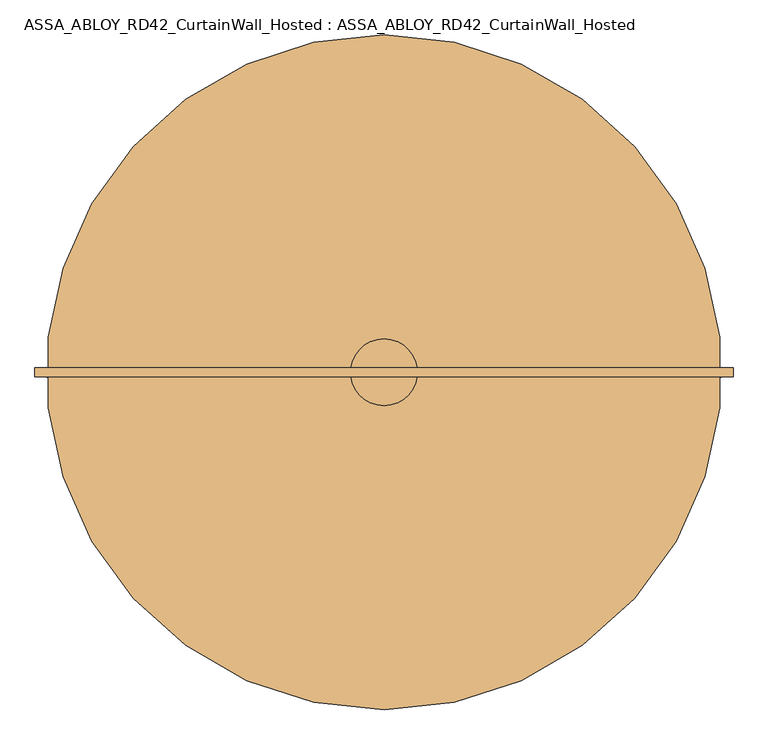
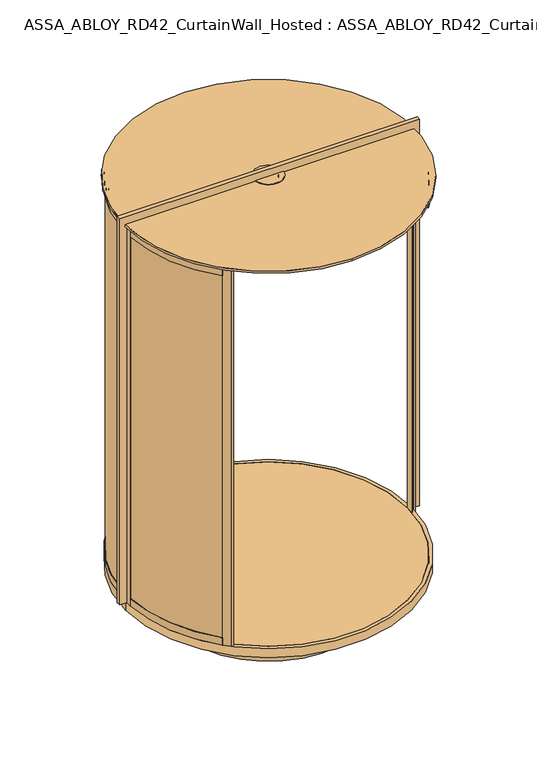
"""IFC4 building model written with IfcOpenShell, lengths in millimetres: door geometry, ASSA_ABLOY_RD42_CurtainWall_Hosted : ASSA_ABLOY_RD42_CurtainWall_Hosted."""

from ifc_helpers import new_model, si_unit, point, frame, frame_2d, origin, origin_with_axes, origin_2d, place, context, project, spatial, polyline, circle_curve, trimmed, segment, composite_curve, outline, extrude, source, transform, mapped, element, save
from ifc_brep_helpers import plane_surface, cylinder_surface, revolved_surface, advanced_brep


def assa_abloy_rd42_curtainwall_hosted_assa_abloy_rd42_70236055(model_context):
    return source(origin(), model_context, "Body", "SolidModel", [
        advanced_brep(
        [(969.6270403, -51.6178536, 2773.0), (995.5902772, -53.0, 2773.0), (995.5902772, -53.0, 2723.0), (992.5945191, -52.8405216, 2723.0), (992.5945191, -52.8405216, 2743.0), (972.6227984, -51.777332, 2743.0), (972.6227984, -51.777332, 2723.0), (969.6270403, -51.6178536, 2723.0), (700.2358565, -672.6891892, 2773.0), (700.2358565, -672.6891892, 2723.0), (702.3993041, -674.7675286, 2723.0), (702.3993041, -674.7675286, 2743.0), (716.8222877, -688.6231246, 2743.0), (716.8222877, -688.6231246, 2723.0), (718.9857353, -690.7014641, 2723.0), (718.9857353, -690.7014641, 2773.0)],
        [
            (0, 1),
            (1, 2),
            (2, 3),
            (3, 4),
            (4, 5),
            (5, 6),
            (6, 7),
            (7, 0),
            (8, 9),
            (9, 10),
            (10, 11),
            (11, 12),
            (12, 13),
            (13, 14),
            (14, 15),
            (15, 8),
            (8, 0, circle_curve(frame((0.0, 0.0, 2773.0), z_axis=(0.0, 0.0, 1.0), x_axis=(0.9985860352782786, -0.05315947843243415, 0.0)), 971.0)),
            (7, 9, circle_curve(frame((0.0, 0.0, 2723.0), z_axis=(0.0, 0.0, -1.0), x_axis=(0.9985860352782786, -0.05315947843243415, 0.0)), 971.0)),
            (6, 10, circle_curve(frame((0.0, 0.0, 2723.0), z_axis=(0.0, 0.0, -1.0), x_axis=(0.9985860352782786, -0.05315947843243415, 0.0)), 974.0)),
            (14, 2, circle_curve(frame((0.0, 0.0, 2723.0), z_axis=(0.0, 0.0, 1.0), x_axis=(0.9985860352782786, -0.05315947843243415, 0.0)), 997.0)),
            (1, 15, circle_curve(frame((0.0, 0.0, 2773.0), z_axis=(0.0, 0.0, -1.0), x_axis=(0.9985860352782786, -0.05315947843243415, 0.0)), 997.0)),
            (5, 11, circle_curve(frame((0.0, 0.0, 2743.0), z_axis=(0.0, 0.0, -1.0), x_axis=(0.9985860352782786, -0.05315947843243415, 0.0)), 974.0)),
            (4, 12, circle_curve(frame((0.0, 0.0, 2743.0), z_axis=(0.0, 0.0, -1.0), x_axis=(0.9985860352782786, -0.05315947843243415, 0.0)), 994.0)),
            (3, 13, circle_curve(frame((0.0, 0.0, 2723.0), z_axis=(0.0, 0.0, -1.0), x_axis=(0.9985860352782786, -0.05315947843243415, 0.0)), 994.0)),
        ],
        [
            plane_surface(frame((995.5902772, -53.0, 2773.0), z_axis=(0.053159478432434126, 0.9985860352782787, 0.0), x_axis=(0.0, 0.0, 1.0))),
            plane_surface(frame((718.9857353, -690.7014641, 2773.0), z_axis=(-0.6927798034572433, -0.7211491828475877, 0.0), x_axis=(0.0, 0.0, 1.0))),
            revolved_surface(polyline([(969.6270402552085, -51.617853557893554, 2723.0), (969.6270402552085, -51.617853557893554, 2773.0)]), (0.0, 0.0, 2773.0), (0.0, 0.0, -1.0)),
            plane_surface(frame((0.0, 0.0, 2723.0), z_axis=(0.0, 0.0, -1.0), x_axis=(0.9985860352782787, -0.053159478432434154, 0.0))),
            cylinder_surface(frame((0.0, 0.0, 2773.0), z_axis=(0.0, 0.0, -1.0), x_axis=(0.9985860352782786, -0.05315947843243415, 0.0)), 997.0),
            plane_surface(frame((0.0, 0.0, 2773.0), z_axis=(0.0, 0.0, 1.0), x_axis=(0.9985860352782787, -0.053159478432434154, 0.0))),
            cylinder_surface(frame((0.0, 0.0, 2773.0), z_axis=(0.0, 0.0, -1.0), x_axis=(0.9985860352782786, -0.05315947843243415, 0.0)), 974.0),
            plane_surface(frame((0.0, 0.0, 2743.0), z_axis=(0.0, 0.0, -1.0), x_axis=(0.9985860352782787, -0.053159478432434154, 0.0))),
            revolved_surface(polyline([(992.5945190666089, -52.840521561839545, 2723.0), (992.5945190666089, -52.840521561839545, 2743.0)]), (0.0, 0.0, 2773.0), (0.0, 0.0, -1.0)),
        ],
        [
            (0, [[1, 2, 3, 4, 5, 6, 7, 8]]),
            (1, [[9, 10, 11, 12, 13, 14, 15, 16]]),
            (2, [[17, -8, 18, -9]]),
            (3, [[-18, -7, 19, -10]]),
            (4, [[20, -2, 21, -15]]),
            (5, [[-21, -1, -17, -16]]),
            (6, [[-19, -6, 22, -11]]),
            (7, [[-22, -5, 23, -12]]),
            (8, [[-23, -4, 24, -13]]),
            (3, [[-24, -3, -20, -14]]),
        ],
    ),
        extrude(outline(polyline([(997.0, 0.0), (997.0, -53.0), (994.0, -53.0), (994.0, -33.0), (974.0, -33.0), (974.0, -53.0), (971.0, -53.0), (971.0, 0.0), (997.0, 0.0)])), origin_with_axes(), (0.0, 0.0, 1.0), 2773.0),
        extrude(outline(composite_curve([segment(trimmed(circle_curve(origin_2d(), 979.0), [point((-692.2575388, 692.2575388))], [point((-978.4493032, 32.8323171))], True, "CARTESIAN"), True, "CONTINUOUS"), segment(polyline([(-978.4493032, 32.8323171), (-988.4436781, 33.1676829)]), True, "CONTINUOUS"), segment(trimmed(circle_curve(origin_2d(), 989.0), [point((-988.4436781, 33.1676829))], [point((-699.3286066, 699.3286066))], False, "CARTESIAN"), True, "CONTINUOUS"), segment(polyline([(-699.3286066, 699.3286066), (-692.2575388, 692.2575388)]), True, "CONTINUOUS")], self_intersect=False)), frame((0.0, 0.0, 33.0), z_axis=(0.0, 0.0, 1.0), x_axis=(1.0, 0.0, 0.0)), (0.0, 0.0, 1.0), 2715.0),
        advanced_brep(
        [(-700.2358565, 672.6891892, 0.0), (-718.9857353, 690.701464, 0.0), (-718.9857353, 690.701464, 53.0), (-716.8222877, 688.6231246, 53.0), (-716.8222877, 688.6231246, 33.0), (-702.3993041, 674.7675286, 33.0), (-702.3993041, 674.7675286, 53.0), (-700.2358565, 672.6891892, 53.0), (-969.6270403, 51.6178536, 0.0), (-969.6270403, 51.6178536, 53.0), (-972.6227984, 51.777332, 53.0), (-972.6227984, 51.777332, 33.0), (-992.5945191, 52.8405216, 33.0), (-992.5945191, 52.8405216, 53.0), (-995.5902772, 53.0, 53.0), (-995.5902772, 53.0, 0.0)],
        [
            (0, 1),
            (1, 2),
            (2, 3),
            (3, 4),
            (4, 5),
            (5, 6),
            (6, 7),
            (7, 0),
            (8, 9),
            (9, 10),
            (10, 11),
            (11, 12),
            (12, 13),
            (13, 14),
            (14, 15),
            (15, 8),
            (8, 0, circle_curve(frame((0.0, 0.0, 0.0), z_axis=(0.0, 0.0, -1.0), x_axis=(-0.7211491828453972, 0.6927798034595233, 0.0)), 971.0)),
            (7, 9, circle_curve(frame((0.0, 0.0, 53.0), z_axis=(0.0, 0.0, 1.0), x_axis=(-0.7211491828453972, 0.6927798034595233, 0.0)), 971.0)),
            (6, 10, circle_curve(frame((0.0, 0.0, 53.0), z_axis=(0.0, 0.0, 1.0), x_axis=(-0.7211491828453972, 0.6927798034595233, 0.0)), 974.0)),
            (5, 11, circle_curve(frame((0.0, 0.0, 33.0), z_axis=(0.0, 0.0, 1.0), x_axis=(-0.7211491828453972, 0.6927798034595233, 0.0)), 974.0)),
            (4, 12, circle_curve(frame((0.0, 0.0, 33.0), z_axis=(0.0, 0.0, 1.0), x_axis=(-0.7211491828453972, 0.6927798034595233, 0.0)), 994.0)),
            (3, 13, circle_curve(frame((0.0, 0.0, 53.0), z_axis=(0.0, 0.0, 1.0), x_axis=(-0.7211491828453972, 0.6927798034595233, 0.0)), 994.0)),
            (2, 14, circle_curve(frame((0.0, 0.0, 53.0), z_axis=(0.0, 0.0, 1.0), x_axis=(-0.7211491828453972, 0.6927798034595233, 0.0)), 997.0)),
            (1, 15, circle_curve(frame((0.0, 0.0, 0.0), z_axis=(0.0, 0.0, 1.0), x_axis=(-0.7211491828453972, 0.6927798034595233, 0.0)), 997.0)),
        ],
        [
            plane_surface(frame((-718.9857353, 690.701464, 0.0), z_axis=(0.6927798034595234, 0.7211491828453973, 0.0), x_axis=(0.0, 0.0, 1.0))),
            plane_surface(frame((-995.5902772, 53.0, 0.0), z_axis=(-0.053159478434998075, -0.9985860352781423, 0.0), x_axis=(0.0, 0.0, 1.0))),
            revolved_surface(polyline([(-700.2358565428807, 672.6891891591971, 53.0), (-700.2358565428807, 672.6891891591971, 0.0)]), (0.0, 0.0, 0.0), (0.0, 0.0, 1.0)),
            plane_surface(frame((0.0, 0.0, 53.0), z_axis=(0.0, 0.0, 1.0), x_axis=(-0.7211491828453973, 0.6927798034595234, 0.0))),
            cylinder_surface(frame((0.0, 0.0, 0.0), z_axis=(0.0, 0.0, 1.0), x_axis=(-0.7211491828453972, 0.6927798034595233, 0.0)), 974.0),
            plane_surface(frame((0.0, 0.0, 33.0), z_axis=(0.0, 0.0, 1.0), x_axis=(-0.7211491828453973, 0.6927798034595234, 0.0))),
            revolved_surface(polyline([(-716.8222877483248, 688.6231246387662, 53.0), (-716.8222877483248, 688.6231246387662, 33.0)]), (0.0, 0.0, 0.0), (0.0, 0.0, 1.0)),
            cylinder_surface(frame((0.0, 0.0, 0.0), z_axis=(0.0, 0.0, 1.0), x_axis=(-0.7211491828453972, 0.6927798034595233, 0.0)), 997.0),
            plane_surface(frame((0.0, 0.0, 0.0), z_axis=(0.0, 0.0, -1.0), x_axis=(-0.7211491828453973, 0.6927798034595234, 0.0))),
        ],
        [
            (0, [[1, 2, 3, 4, 5, 6, 7, 8]]),
            (1, [[9, 10, 11, 12, 13, 14, 15, 16]]),
            (2, [[17, -8, 18, -9]]),
            (3, [[-18, -7, 19, -10]]),
            (4, [[-19, -6, 20, -11]]),
            (5, [[-20, -5, 21, -12]]),
            (6, [[-21, -4, 22, -13]]),
            (3, [[-22, -3, 23, -14]]),
            (7, [[-23, -2, 24, -15]]),
            (8, [[-24, -1, -17, -16]]),
        ],
    ),
        advanced_brep(
        [(-969.6270403, 51.6178536, 2773.0), (-995.5902772, 53.0, 2773.0), (-995.5902772, 53.0, 2723.0), (-992.5945191, 52.8405216, 2723.0), (-992.5945191, 52.8405216, 2743.0), (-972.6227984, 51.777332, 2743.0), (-972.6227984, 51.777332, 2723.0), (-969.6270403, 51.6178536, 2723.0), (-700.2358565, 672.6891892, 2773.0), (-700.2358565, 672.6891892, 2723.0), (-702.3993041, 674.7675286, 2723.0), (-702.3993041, 674.7675286, 2743.0), (-716.8222877, 688.6231246, 2743.0), (-716.8222877, 688.6231246, 2723.0), (-718.9857353, 690.701464, 2723.0), (-718.9857353, 690.701464, 2773.0)],
        [
            (0, 1),
            (1, 2),
            (2, 3),
            (3, 4),
            (4, 5),
            (5, 6),
            (6, 7),
            (7, 0),
            (8, 9),
            (9, 10),
            (10, 11),
            (11, 12),
            (12, 13),
            (13, 14),
            (14, 15),
            (15, 8),
            (8, 0, circle_curve(frame((0.0, 0.0, 2773.0), z_axis=(0.0, 0.0, 1.0), x_axis=(-0.9985860352779656, 0.05315947843831304, 0.0)), 971.0)),
            (7, 9, circle_curve(frame((0.0, 0.0, 2723.0), z_axis=(0.0, 0.0, -1.0), x_axis=(-0.9985860352779656, 0.05315947843831304, 0.0)), 971.0)),
            (6, 10, circle_curve(frame((0.0, 0.0, 2723.0), z_axis=(0.0, 0.0, -1.0), x_axis=(-0.9985860352779656, 0.05315947843831304, 0.0)), 974.0)),
            (14, 2, circle_curve(frame((0.0, 0.0, 2723.0), z_axis=(0.0, 0.0, 1.0), x_axis=(-0.9985860352779656, 0.05315947843831304, 0.0)), 997.0)),
            (1, 15, circle_curve(frame((0.0, 0.0, 2773.0), z_axis=(0.0, 0.0, -1.0), x_axis=(-0.9985860352779656, 0.05315947843831304, 0.0)), 997.0)),
            (5, 11, circle_curve(frame((0.0, 0.0, 2743.0), z_axis=(0.0, 0.0, -1.0), x_axis=(-0.9985860352779656, 0.05315947843831304, 0.0)), 974.0)),
            (4, 12, circle_curve(frame((0.0, 0.0, 2743.0), z_axis=(0.0, 0.0, -1.0), x_axis=(-0.9985860352779656, 0.05315947843831304, 0.0)), 994.0)),
            (3, 13, circle_curve(frame((0.0, 0.0, 2723.0), z_axis=(0.0, 0.0, -1.0), x_axis=(-0.9985860352779656, 0.05315947843831304, 0.0)), 994.0)),
        ],
        [
            plane_surface(frame((-995.5902772, 53.0, 2773.0), z_axis=(-0.05315947843831305, -0.9985860352779657, 0.0), x_axis=(0.0, 0.0, 1.0))),
            plane_surface(frame((-718.9857353, 690.701464, 2773.0), z_axis=(0.6927798034621091, 0.7211491828429132, 0.0), x_axis=(0.0, 0.0, 1.0))),
            revolved_surface(polyline([(-969.6270402549046, 51.61785356360196, 2723.0), (-969.6270402549046, 51.61785356360196, 2773.0)]), (0.0, 0.0, 2773.0), (0.0, 0.0, -1.0)),
            plane_surface(frame((0.0, 0.0, 2723.0), z_axis=(0.0, 0.0, -1.0), x_axis=(-0.9985860352779657, 0.05315947843831305, 0.0))),
            cylinder_surface(frame((0.0, 0.0, 2773.0), z_axis=(0.0, 0.0, -1.0), x_axis=(-0.9985860352779656, 0.05315947843831304, 0.0)), 997.0),
            plane_surface(frame((0.0, 0.0, 2773.0), z_axis=(0.0, 0.0, 1.0), x_axis=(-0.9985860352779657, 0.05315947843831305, 0.0))),
            cylinder_surface(frame((0.0, 0.0, 2773.0), z_axis=(0.0, 0.0, -1.0), x_axis=(-0.9985860352779656, 0.05315947843831304, 0.0)), 974.0),
            plane_surface(frame((0.0, 0.0, 2743.0), z_axis=(0.0, 0.0, -1.0), x_axis=(-0.9985860352779657, 0.05315947843831305, 0.0))),
            revolved_surface(polyline([(-992.5945190662978, 52.84052156768316, 2723.0), (-992.5945190662978, 52.84052156768316, 2743.0)]), (0.0, 0.0, 2773.0), (0.0, 0.0, -1.0)),
        ],
        [
            (0, [[1, 2, 3, 4, 5, 6, 7, 8]]),
            (1, [[9, 10, 11, 12, 13, 14, 15, 16]]),
            (2, [[17, -8, 18, -9]]),
            (3, [[-18, -7, 19, -10]]),
            (4, [[20, -2, 21, -15]]),
            (5, [[-21, -1, -17, -16]]),
            (6, [[-19, -6, 22, -11]]),
            (7, [[-22, -5, 23, -12]]),
            (8, [[-23, -4, 24, -13]]),
            (3, [[-24, -3, -20, -14]]),
        ],
    ),
        extrude(outline(composite_curve([segment(polyline([(-702.863883, 702.863883), (-717.0060186, 688.7217474), (-719.1270815, 690.8428103), (-674.5793543, 735.3905375), (-675.2864632, 736.0976464), (-654.0719672, 757.3121425)]), True, "CONTINUOUS"), segment(trimmed(circle_curve(frame_2d((-644.1727276, 747.4129028)), 13.9996389), [point((-654.0719672, 757.3121425))], [point((-634.273488, 737.5136632))], False, "CARTESIAN"), True, "CONTINUOUS"), segment(polyline([(-634.273488, 737.5136632), (-655.487984, 716.2991672), (-656.1950929, 717.0062761), (-700.7428202, 672.4585489), (-702.863883, 674.5796118), (-688.7217474, 688.7217474), (-702.863883, 702.863883)]), True, "CONTINUOUS")], self_intersect=False)), origin_with_axes(), (0.0, 0.0, 1.0), 2773.0),
        extrude(outline(polyline([(-997.0, 0.0), (-997.0, 53.0), (-994.0, 53.0), (-994.0, 33.0), (-974.0, 33.0), (-974.0, 53.0), (-971.0, 53.0), (-971.0, 0.0), (-997.0, 0.0)])), origin_with_axes(), (0.0, 0.0, 1.0), 2773.0),
        extrude(outline(composite_curve([segment(trimmed(circle_curve(origin_2d(), 989.0), [point((-699.3286066, -699.3286066))], [point((-988.4436781, -33.1676829))], False, "CARTESIAN"), True, "CONTINUOUS"), segment(polyline([(-988.4436781, -33.1676829), (-978.4493032, -32.8323171)]), True, "CONTINUOUS"), segment(trimmed(circle_curve(origin_2d(), 979.0), [point((-978.4493032, -32.8323171))], [point((-692.2575388, -692.2575388))], True, "CARTESIAN"), True, "CONTINUOUS"), segment(polyline([(-692.2575388, -692.2575388), (-699.3286066, -699.3286066)]), True, "CONTINUOUS")], self_intersect=False)), frame((0.0, 0.0, 33.0), z_axis=(0.0, 0.0, 1.0), x_axis=(1.0, 0.0, 0.0)), (0.0, 0.0, 1.0), 2715.0),
        advanced_brep(
        [(-700.2358565, -672.6891892, 0.0), (-700.2358565, -672.6891892, 53.0), (-702.3993041, -674.7675286, 53.0), (-702.3993041, -674.7675286, 33.0), (-716.8222877, -688.6231246, 33.0), (-716.8222877, -688.6231246, 53.0), (-718.9857353, -690.701464, 53.0), (-718.9857353, -690.701464, 0.0), (-969.6270403, -51.6178536, 0.0), (-995.5902772, -53.0, 0.0), (-995.5902772, -53.0, 53.0), (-992.5945191, -52.8405216, 53.0), (-992.5945191, -52.8405216, 33.0), (-972.6227984, -51.777332, 33.0), (-972.6227984, -51.777332, 53.0), (-969.6270403, -51.6178536, 53.0)],
        [
            (0, 1),
            (1, 2),
            (2, 3),
            (3, 4),
            (4, 5),
            (5, 6),
            (6, 7),
            (7, 0),
            (8, 9),
            (9, 10),
            (10, 11),
            (11, 12),
            (12, 13),
            (13, 14),
            (14, 15),
            (15, 8),
            (15, 1, circle_curve(frame((0.0, 0.0, 53.0), z_axis=(0.0, 0.0, 1.0), x_axis=(-0.72114918284517, -0.6927798034597599, 0.0)), 971.0)),
            (0, 8, circle_curve(frame((0.0, 0.0, 0.0), z_axis=(0.0, 0.0, -1.0), x_axis=(-0.72114918284517, -0.6927798034597599, 0.0)), 971.0)),
            (14, 2, circle_curve(frame((0.0, 0.0, 53.0), z_axis=(0.0, 0.0, 1.0), x_axis=(-0.72114918284517, -0.6927798034597599, 0.0)), 974.0)),
            (13, 3, circle_curve(frame((0.0, 0.0, 33.0), z_axis=(0.0, 0.0, 1.0), x_axis=(-0.72114918284517, -0.6927798034597599, 0.0)), 974.0)),
            (12, 4, circle_curve(frame((0.0, 0.0, 33.0), z_axis=(0.0, 0.0, 1.0), x_axis=(-0.72114918284517, -0.6927798034597599, 0.0)), 994.0)),
            (11, 5, circle_curve(frame((0.0, 0.0, 53.0), z_axis=(0.0, 0.0, 1.0), x_axis=(-0.72114918284517, -0.6927798034597599, 0.0)), 994.0)),
            (10, 6, circle_curve(frame((0.0, 0.0, 53.0), z_axis=(0.0, 0.0, 1.0), x_axis=(-0.72114918284517, -0.6927798034597599, 0.0)), 997.0)),
            (9, 7, circle_curve(frame((0.0, 0.0, 0.0), z_axis=(0.0, 0.0, 1.0), x_axis=(-0.72114918284517, -0.6927798034597599, 0.0)), 997.0)),
        ],
        [
            plane_surface(frame((-718.9857353, -690.701464, 0.0), z_axis=(0.6927798034597599, -0.7211491828451702, 0.0), x_axis=(0.0, 0.0, 1.0))),
            plane_surface(frame((-995.5902772, -53.0, 0.0), z_axis=(-0.05315947843611757, 0.9985860352780827, 0.0), x_axis=(0.0, 0.0, 1.0))),
            revolved_surface(polyline([(-700.2358565426601, -672.6891891594269, 0.0), (-700.2358565426601, -672.6891891594269, 53.0)]), (0.0, 0.0, 0.0), (0.0, 0.0, -1.0)),
            plane_surface(frame((0.0, 0.0, 53.0), z_axis=(0.0, 0.0, 1.0), x_axis=(-0.72114918284517, -0.6927798034597599, 0.0))),
            cylinder_surface(frame((0.0, 0.0, 0.0), z_axis=(0.0, 0.0, -1.0), x_axis=(-0.72114918284517, -0.6927798034597599, 0.0)), 974.0),
            plane_surface(frame((0.0, 0.0, 33.0), z_axis=(0.0, 0.0, 1.0), x_axis=(-0.72114918284517, -0.6927798034597599, 0.0))),
            revolved_surface(polyline([(-716.822287748099, -688.6231246390013, 33.0), (-716.822287748099, -688.6231246390013, 53.0)]), (0.0, 0.0, 0.0), (0.0, 0.0, -1.0)),
            cylinder_surface(frame((0.0, 0.0, 0.0), z_axis=(0.0, 0.0, -1.0), x_axis=(-0.72114918284517, -0.6927798034597599, 0.0)), 997.0),
            plane_surface(frame((0.0, 0.0, 0.0), z_axis=(0.0, 0.0, -1.0), x_axis=(-0.72114918284517, -0.6927798034597599, 0.0))),
        ],
        [
            (0, [[1, 2, 3, 4, 5, 6, 7, 8]]),
            (1, [[9, 10, 11, 12, 13, 14, 15, 16]]),
            (2, [[17, -1, 18, -16]]),
            (3, [[19, -2, -17, -15]]),
            (4, [[20, -3, -19, -14]]),
            (5, [[21, -4, -20, -13]]),
            (6, [[22, -5, -21, -12]]),
            (3, [[23, -6, -22, -11]]),
            (7, [[24, -7, -23, -10]]),
            (8, [[-18, -8, -24, -9]]),
        ],
    ),
        advanced_brep(
        [(-969.6270403, -51.6178536, 2773.0), (-969.6270403, -51.6178536, 2723.0), (-972.6227984, -51.777332, 2723.0), (-972.6227984, -51.777332, 2743.0), (-992.5945191, -52.8405216, 2743.0), (-992.5945191, -52.8405216, 2723.0), (-995.5902772, -53.0, 2723.0), (-995.5902772, -53.0, 2773.0), (-700.2358565, -672.6891892, 2773.0), (-718.9857353, -690.7014641, 2773.0), (-718.9857353, -690.7014641, 2723.0), (-716.8222878, -688.6231246, 2723.0), (-716.8222878, -688.6231246, 2743.0), (-702.3993041, -674.7675286, 2743.0), (-702.3993041, -674.7675286, 2723.0), (-700.2358565, -672.6891892, 2723.0)],
        [
            (0, 1),
            (1, 2),
            (2, 3),
            (3, 4),
            (4, 5),
            (5, 6),
            (6, 7),
            (7, 0),
            (8, 9),
            (9, 10),
            (10, 11),
            (11, 12),
            (12, 13),
            (13, 14),
            (14, 15),
            (15, 8),
            (15, 1, circle_curve(frame((0.0, 0.0, 2723.0), z_axis=(0.0, 0.0, -1.0), x_axis=(-0.998586035278223, -0.053159478433480345, 0.0)), 971.0)),
            (0, 8, circle_curve(frame((0.0, 0.0, 2773.0), z_axis=(0.0, 0.0, 1.0), x_axis=(-0.998586035278223, -0.053159478433480345, 0.0)), 971.0)),
            (14, 2, circle_curve(frame((0.0, 0.0, 2723.0), z_axis=(0.0, 0.0, -1.0), x_axis=(-0.998586035278223, -0.053159478433480345, 0.0)), 974.0)),
            (9, 7, circle_curve(frame((0.0, 0.0, 2773.0), z_axis=(0.0, 0.0, -1.0), x_axis=(-0.998586035278223, -0.053159478433480345, 0.0)), 997.0)),
            (6, 10, circle_curve(frame((0.0, 0.0, 2723.0), z_axis=(0.0, 0.0, 1.0), x_axis=(-0.998586035278223, -0.053159478433480345, 0.0)), 997.0)),
            (13, 3, circle_curve(frame((0.0, 0.0, 2743.0), z_axis=(0.0, 0.0, -1.0), x_axis=(-0.998586035278223, -0.053159478433480345, 0.0)), 974.0)),
            (12, 4, circle_curve(frame((0.0, 0.0, 2743.0), z_axis=(0.0, 0.0, -1.0), x_axis=(-0.998586035278223, -0.053159478433480345, 0.0)), 994.0)),
            (11, 5, circle_curve(frame((0.0, 0.0, 2723.0), z_axis=(0.0, 0.0, -1.0), x_axis=(-0.998586035278223, -0.053159478433480345, 0.0)), 994.0)),
        ],
        [
            plane_surface(frame((-995.5902772, -53.0, 2773.0), z_axis=(-0.053159478433480345, 0.998586035278223, 0.0), x_axis=(0.0, 0.0, 1.0))),
            plane_surface(frame((-718.9857353, -690.7014641, 2773.0), z_axis=(0.6927798034594096, -0.7211491828455066, 0.0), x_axis=(0.0, 0.0, 1.0))),
            revolved_surface(polyline([(-969.6270402551545, -51.61785355890942, 2773.0), (-969.6270402551545, -51.61785355890942, 2723.0)]), (0.0, 0.0, 2773.0), (0.0, 0.0, 1.0)),
            plane_surface(frame((0.0, 0.0, 2723.0), z_axis=(0.0, 0.0, -1.0), x_axis=(-0.998586035278223, -0.053159478433480345, 0.0))),
            cylinder_surface(frame((0.0, 0.0, 2773.0), z_axis=(0.0, 0.0, 1.0), x_axis=(-0.998586035278223, -0.053159478433480345, 0.0)), 997.0),
            plane_surface(frame((0.0, 0.0, 2773.0), z_axis=(0.0, 0.0, 1.0), x_axis=(-0.998586035278223, -0.053159478433480345, 0.0))),
            cylinder_surface(frame((0.0, 0.0, 2773.0), z_axis=(0.0, 0.0, 1.0), x_axis=(-0.998586035278223, -0.053159478433480345, 0.0)), 974.0),
            plane_surface(frame((0.0, 0.0, 2743.0), z_axis=(0.0, 0.0, -1.0), x_axis=(-0.998586035278223, -0.053159478433480345, 0.0))),
            revolved_surface(polyline([(-992.5945190665536, -52.84052156287946, 2743.0), (-992.5945190665536, -52.84052156287946, 2723.0)]), (0.0, 0.0, 2773.0), (0.0, 0.0, 1.0)),
        ],
        [
            (0, [[1, 2, 3, 4, 5, 6, 7, 8]]),
            (1, [[9, 10, 11, 12, 13, 14, 15, 16]]),
            (2, [[17, -1, 18, -16]]),
            (3, [[19, -2, -17, -15]]),
            (4, [[20, -7, 21, -10]]),
            (5, [[-18, -8, -20, -9]]),
            (6, [[22, -3, -19, -14]]),
            (7, [[23, -4, -22, -13]]),
            (8, [[24, -5, -23, -12]]),
            (3, [[-21, -6, -24, -11]]),
        ],
    ),
        extrude(outline(composite_curve([segment(polyline([(-702.863883, -702.863883), (-688.7217474, -688.7217474), (-702.863883, -674.5796118), (-700.7428202, -672.4585489), (-663.9730103, -709.2283587)]), True, "CONTINUOUS"), segment(trimmed(circle_curve(frame_2d((-673.1651408, -718.4204896)), 12.9996359), [point((-663.9730103, -709.2283587))], [point((-682.3572715, -727.6126203))], False, "CARTESIAN"), True, "CONTINUOUS"), segment(polyline([(-682.3572715, -727.6126203), (-719.1270815, -690.8428103), (-717.0060186, -688.7217474), (-702.863883, -702.863883)]), True, "CONTINUOUS")], self_intersect=False)), origin_with_axes(), (0.0, 0.0, 1.0), 2773.0),
        extrude(outline(polyline([(-997.0, 0.0), (-971.0, 0.0), (-971.0, -53.0), (-974.0, -53.0), (-974.0, -33.0), (-994.0, -33.0), (-994.0, -53.0), (-997.0, -53.0), (-997.0, 0.0)])), origin_with_axes(), (0.0, 0.0, 1.0), 2773.0),
        extrude(outline(composite_curve([segment(trimmed(circle_curve(origin_2d(), 971.0), [point((-971.0, 0.0))], [point((971.0, 0.0))], False, "CARTESIAN"), True, "CONTINUOUS"), segment(trimmed(circle_curve(origin_2d(), 971.0), [point((971.0, 0.0))], [point((-971.0, 0.0))], False, "CARTESIAN"), True, "CONTINUOUS")], self_intersect=False)), frame((0.0, 0.0, -22.0), z_axis=(0.0, 0.0, 1.0), x_axis=(1.0, 0.0, 0.0)), (0.0, 0.0, 1.0), 22.0),
        extrude(outline(polyline([(2794.0, 1012.0), (2778.0, 1012.0), (2778.0, 997.0), (0.0, 997.0), (0.0, 1047.0), (2850.0, 1047.0), (2850.0, -1047.0), (0.0, -1047.0), (0.0, -997.0), (2778.0, -997.0), (2778.0, -1012.0), (2794.0, -1012.0), (2794.0, 1012.0)])), frame((0.0, -14.0, 0.0), z_axis=(0.0, 1.0, 0.0), x_axis=(0.0, 0.0, 1.0)), (0.0, 0.0, 1.0), 28.0),
        advanced_brep(
        [(997.0, 0.0, -65.0), (-997.0, 0.0, -65.0), (-997.0, 0.0, 0.0), (997.0, 0.0, 0.0), (0.0, 0.0, -65.0), (971.0, 0.0, -23.0), (-971.0, 0.0, -23.0), (0.0, 0.0, -23.0), (971.0, 0.0, 0.0), (-971.0, 0.0, 0.0)],
        [
            (0, 1, circle_curve(frame((0.0, 0.0, -65.0), z_axis=(0.0, 0.0, 1.0), x_axis=(-1.0, 0.0, 0.0)), 997.0)),
            (1, 2),
            (2, 3, circle_curve(frame((0.0, 0.0, 0.0), z_axis=(0.0, 0.0, -1.0), x_axis=(-1.0, 0.0, 0.0)), 997.0)),
            (3, 0),
            (1, 0, circle_curve(frame((0.0, 0.0, -65.0), z_axis=(0.0, 0.0, 1.0), x_axis=(-1.0, 0.0, 0.0)), 997.0)),
            (3, 2, circle_curve(frame((0.0, 0.0, 0.0), z_axis=(0.0, 0.0, -1.0), x_axis=(-1.0, 0.0, 0.0)), 997.0)),
            (0, 4),
            (4, 1),
            (5, 6, circle_curve(frame((0.0, 0.0, -23.0), z_axis=(0.0, 0.0, 1.0), x_axis=(-1.0, 0.0, 0.0)), 971.0)),
            (6, 7),
            (7, 5),
            (6, 5, circle_curve(frame((0.0, 0.0, -23.0), z_axis=(0.0, 0.0, 1.0), x_axis=(-1.0, 0.0, 0.0)), 971.0)),
            (5, 8),
            (8, 9, circle_curve(frame((0.0, 0.0, 0.0), z_axis=(0.0, 0.0, 1.0), x_axis=(-1.0, 0.0, 0.0)), 971.0)),
            (9, 6),
            (9, 8, circle_curve(frame((0.0, 0.0, 0.0), z_axis=(0.0, 0.0, 1.0), x_axis=(-1.0, 0.0, 0.0)), 971.0)),
            (2, 9),
            (8, 3),
        ],
        [
            cylinder_surface(frame((0.0, 0.0, -20.0), z_axis=(0.0, 0.0, -1.0), x_axis=(-1.0, 0.0, 0.0)), 997.0),
            plane_surface(frame((0.0, 0.0, -65.0), z_axis=(0.0, 0.0, -1.0), x_axis=(-1.0, 0.0, 0.0))),
            plane_surface(frame((0.0, 0.0, -23.0), z_axis=(0.0, 0.0, 1.0), x_axis=(-1.0, 0.0, 0.0))),
            revolved_surface(polyline([(-971.0, 0.0, -23.0), (-971.0, 0.0, 0.0)]), (0.0, 0.0, -20.0), (0.0, 0.0, -1.0)),
            plane_surface(frame((0.0, 0.0, 0.0), z_axis=(0.0, 0.0, 1.0), x_axis=(-1.0, 0.0, 0.0))),
        ],
        [
            (0, [[1, 2, 3, 4]]),
            (0, [[-2, 5, -4, 6]]),
            (1, [[-1, 7, 8]]),
            (1, [[-5, -8, -7]]),
            (2, [[9, 10, 11]]),
            (2, [[-10, 12, -11]]),
            (3, [[-9, 13, 14, 15]]),
            (3, [[-12, -15, 16, -13]]),
            (4, [[-3, 17, -14, 18]]),
            (4, [[-6, -18, -16, -17]]),
        ],
    ),
        advanced_brep(
        [(0.0, 1012.0, 2794.0), (0.0, -1012.0, 2794.0), (-60.0, 0.0, 2794.0), (60.0, 0.0, 2794.0), (0.0, 1012.0, 2778.0), (0.0, -1012.0, 2778.0), (60.0, 0.0, 2778.0), (-60.0, 0.0, 2778.0)],
        [
            (0, 1, circle_curve(frame((0.0, 0.0, 2794.0), z_axis=(0.0, 0.0, 1.0), x_axis=(0.0, -1.0, 0.0)), 1012.0)),
            (1, 0, circle_curve(frame((0.0, 0.0, 2794.0), z_axis=(0.0, 0.0, 1.0), x_axis=(0.0, -1.0, 0.0)), 1012.0)),
            (2, 3, circle_curve(frame((0.0, 0.0, 2794.0), z_axis=(0.0, 0.0, -1.0), x_axis=(-1.0, 0.0, 0.0)), 60.0)),
            (3, 2, circle_curve(frame((0.0, 0.0, 2794.0), z_axis=(0.0, 0.0, -1.0), x_axis=(-1.0, 0.0, 0.0)), 60.0)),
            (4, 5, circle_curve(frame((0.0, 0.0, 2778.0), z_axis=(0.0, 0.0, -1.0), x_axis=(0.0, -1.0, 0.0)), 1012.0)),
            (5, 4, circle_curve(frame((0.0, 0.0, 2778.0), z_axis=(0.0, 0.0, -1.0), x_axis=(0.0, -1.0, 0.0)), 1012.0)),
            (6, 7, circle_curve(frame((0.0, 0.0, 2778.0), z_axis=(0.0, 0.0, 1.0), x_axis=(-1.0, 0.0, 0.0)), 60.0)),
            (7, 6, circle_curve(frame((0.0, 0.0, 2778.0), z_axis=(0.0, 0.0, 1.0), x_axis=(-1.0, 0.0, 0.0)), 60.0)),
            (0, 4),
            (5, 1),
            (6, 3),
            (2, 7),
        ],
        [
            plane_surface(frame((0.0, -1012.0, 2794.0), z_axis=(0.0, 0.0, 1.0), x_axis=(1.0, 0.0, 0.0))),
            plane_surface(frame((0.0, -1012.0, 2778.0), z_axis=(0.0, 0.0, -1.0), x_axis=(-1.0, 0.0, 0.0))),
            cylinder_surface(frame((0.0, 0.0, 2794.0), z_axis=(0.0, 0.0, -1.0), x_axis=(0.0, -1.0, 0.0)), 1012.0),
            revolved_surface(polyline([(-60.0, 0.0, 2794.0), (-60.0, 0.0, 2778.0)]), (0.0, 0.0, 2723.0), (0.0, 0.0, 1.0)),
        ],
        [
            (0, [[1, 2], [3, 4]]),
            (1, [[5, 6], [7, 8]]),
            (2, [[-1, 9, -6, 10]]),
            (2, [[-2, -10, -5, -9]]),
            (3, [[11, -3, 12, -7]]),
            (3, [[-11, -8, -12, -4]]),
        ],
    ),
        extrude(outline(composite_curve([segment(trimmed(circle_curve(origin_2d(), 645.0), [point((-645.0, 0.0))], [point((645.0, 0.0))], False, "CARTESIAN"), True, "CONTINUOUS"), segment(trimmed(circle_curve(origin_2d(), 645.0), [point((645.0, 0.0))], [point((-645.0, 0.0))], False, "CARTESIAN"), True, "CONTINUOUS")], self_intersect=False)), frame((0.0, 0.0, -340.0), z_axis=(0.0, 0.0, 1.0), x_axis=(1.0, 0.0, 0.0)), (0.0, 0.0, 1.0), 275.0),
        advanced_brep(
        [(0.0, -90.0, 2778.0), (0.0, 90.0, 2778.0), (0.0, 90.0, 2772.0), (0.0, -90.0, 2772.0), (0.0, -60.0, 2794.0), (0.0, 60.0, 2794.0), (0.0, 60.0, 2778.0), (0.0, -60.0, 2778.0), (0.0, -100.0, 2800.0), (0.0, 100.0, 2800.0), (0.0, 100.0, 2794.0), (0.0, -100.0, 2794.0), (0.0, 30.0, 2772.0), (0.0, -30.0, 2772.0), (0.0, 30.0, 2778.0), (0.0, -30.0, 2778.0)],
        [
            (0, 1, circle_curve(frame((0.0, 0.0, 2778.0), z_axis=(0.0, 0.0, -1.0), x_axis=(0.0, 1.0, 0.0)), 90.0)),
            (1, 2),
            (2, 3, circle_curve(frame((0.0, 0.0, 2772.0), z_axis=(0.0, 0.0, 1.0), x_axis=(0.0, 1.0, 0.0)), 90.0)),
            (3, 0),
            (4, 5, circle_curve(frame((0.0, 0.0, 2794.0), z_axis=(0.0, 0.0, -1.0), x_axis=(0.0, 1.0, 0.0)), 60.0)),
            (5, 6),
            (6, 7, circle_curve(frame((0.0, 0.0, 2778.0), z_axis=(0.0, 0.0, 1.0), x_axis=(0.0, 1.0, 0.0)), 60.0)),
            (7, 4),
            (8, 9, circle_curve(frame((0.0, 0.0, 2800.0), z_axis=(0.0, 0.0, -1.0), x_axis=(0.0, 1.0, 0.0)), 100.0)),
            (9, 10),
            (10, 11, circle_curve(frame((0.0, 0.0, 2794.0), z_axis=(0.0, 0.0, 1.0), x_axis=(0.0, 1.0, 0.0)), 100.0)),
            (11, 8),
            (1, 0, circle_curve(frame((0.0, 0.0, 2778.0), z_axis=(0.0, 0.0, -1.0), x_axis=(0.0, -1.0, 0.0)), 90.0)),
            (3, 2, circle_curve(frame((0.0, 0.0, 2772.0), z_axis=(0.0, 0.0, 1.0), x_axis=(0.0, -1.0, 0.0)), 90.0)),
            (6, 7, circle_curve(frame((0.0, 0.0, 2778.0), z_axis=(0.0, 0.0, -1.0), x_axis=(0.0, -1.0, 0.0)), 60.0)),
            (5, 4, circle_curve(frame((0.0, 0.0, 2794.0), z_axis=(0.0, 0.0, -1.0), x_axis=(0.0, -1.0, 0.0)), 60.0)),
            (10, 11, circle_curve(frame((0.0, 0.0, 2794.0), z_axis=(0.0, 0.0, -1.0), x_axis=(0.0, -1.0, 0.0)), 100.0)),
            (9, 8, circle_curve(frame((0.0, 0.0, 2800.0), z_axis=(0.0, 0.0, -1.0), x_axis=(0.0, -1.0, 0.0)), 100.0)),
            (12, 13, circle_curve(frame((0.0, 0.0, 2772.0), z_axis=(0.0, 0.0, 1.0), x_axis=(0.0, 1.0, 0.0)), 30.0)),
            (13, 12, circle_curve(frame((0.0, 0.0, 2772.0), z_axis=(0.0, 0.0, 1.0), x_axis=(0.0, -1.0, 0.0)), 30.0)),
            (12, 14),
            (14, 15, circle_curve(frame((0.0, 0.0, 2778.0), z_axis=(0.0, 0.0, 1.0), x_axis=(0.0, 1.0, 0.0)), 30.0)),
            (15, 13),
            (15, 14, circle_curve(frame((0.0, 0.0, 2778.0), z_axis=(0.0, 0.0, 1.0), x_axis=(0.0, -1.0, 0.0)), 30.0)),
        ],
        [
            cylinder_surface(frame((0.0, 0.0, 2778.0), z_axis=(0.0, 0.0, 1.0), x_axis=(0.0, 1.0, 0.0)), 90.0),
            cylinder_surface(frame((0.0, 0.0, 2778.0), z_axis=(0.0, 0.0, 1.0), x_axis=(0.0, 1.0, 0.0)), 60.0),
            cylinder_surface(frame((0.0, 0.0, 2778.0), z_axis=(0.0, 0.0, 1.0), x_axis=(0.0, 1.0, 0.0)), 100.0),
            cylinder_surface(frame((0.0, 0.0, 2778.0), z_axis=(0.0, 0.0, 1.0), x_axis=(0.0, -1.0, 0.0)), 90.0),
            plane_surface(frame((0.0, 0.0, 2778.0), z_axis=(0.0, 0.0, 1.0), x_axis=(0.0, -1.0, 0.0))),
            cylinder_surface(frame((0.0, 0.0, 2778.0), z_axis=(0.0, 0.0, 1.0), x_axis=(0.0, -1.0, 0.0)), 60.0),
            plane_surface(frame((0.0, 0.0, 2794.0), z_axis=(0.0, 0.0, -1.0), x_axis=(0.0, -1.0, 0.0))),
            cylinder_surface(frame((0.0, 0.0, 2778.0), z_axis=(0.0, 0.0, 1.0), x_axis=(0.0, -1.0, 0.0)), 100.0),
            plane_surface(frame((0.0, 0.0, 2800.0), z_axis=(0.0, 0.0, 1.0), x_axis=(0.0, -1.0, 0.0))),
            plane_surface(frame((0.0, 0.0, 2772.0), z_axis=(0.0, 0.0, -1.0), x_axis=(0.0, -1.0, 0.0))),
            revolved_surface(polyline([(0.0, 30.0, 2778.0), (0.0, 30.0, 2772.0)]), (0.0, 0.0, 2778.0), (0.0, 0.0, 1.0)),
            revolved_surface(polyline([(0.0, -30.0, 2778.0), (0.0, -30.0, 2772.0)]), (0.0, 0.0, 2778.0), (0.0, 0.0, 1.0)),
            plane_surface(frame((0.0, -30.0, 2778.0), z_axis=(0.0, 0.0, -1.0), x_axis=(-1.0, 0.0, 0.0))),
        ],
        [
            (0, [[1, 2, 3, 4]]),
            (1, [[5, 6, 7, 8]]),
            (2, [[9, 10, 11, 12]]),
            (3, [[-2, 13, -4, 14]]),
            (4, [[-1, -13], [-7, 15]]),
            (5, [[-6, 16, -8, -15]]),
            (6, [[-11, 17], [-5, -16]]),
            (7, [[-10, 18, -12, -17]]),
            (8, [[-9, -18]]),
            (9, [[-3, -14], [19, 20]]),
            (10, [[-19, 21, 22, 23]]),
            (11, [[-20, -23, 24, -21]]),
            (12, [[-22, -24]]),
        ],
    ),
    ])


if __name__ == "__main__":
    model = new_model("IFC4")
    model_context = context("Model", 3, world=origin())
    ifc_project = project(units=[si_unit("LENGTHUNIT", "METRE", prefix="MILLI")], contexts=[model_context])
    site = spatial("IfcSite", under=ifc_project)
    building = spatial("IfcBuilding", under=site)
    placement = place(None, origin())
    assa_abloy_rd42_curtainwall_hosted_assa_abloy_rd42_shape = assa_abloy_rd42_curtainwall_hosted_assa_abloy_rd42_70236055(model_context)
    element("IfcDoor", 1, ObjectType="ASSA_ABLOY_RD42_CurtainWall_Hosted : ASSA_ABLOY_RD42_CurtainWall_Hosted", at=placement, inside=building, context=model_context, shape_type="MappedRepresentation", body=[
        mapped(assa_abloy_rd42_curtainwall_hosted_assa_abloy_rd42_shape, transform((0.0, 0.0, 0.0), x_axis=(1.0, 0.0, 0.0), y_axis=(0.0, 1.0, 0.0), z_axis=(0.0, 0.0, 1.0))),
    ])
    save(model, "model.ifc")
